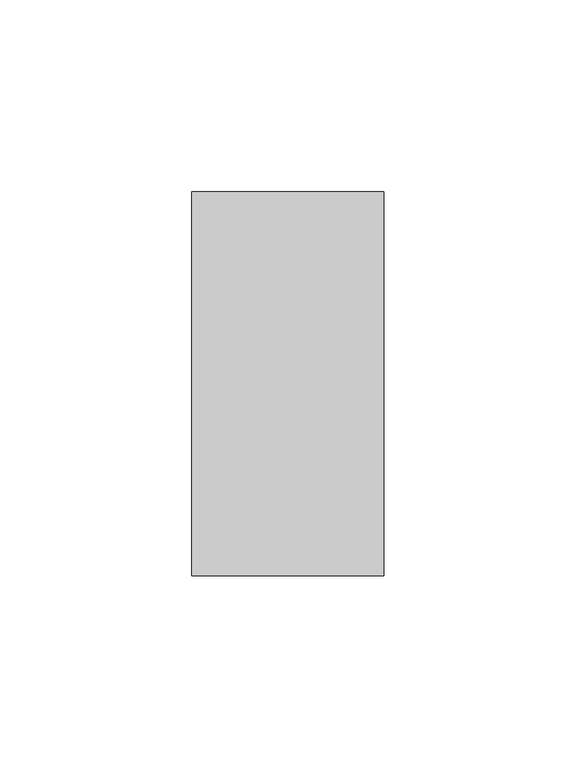
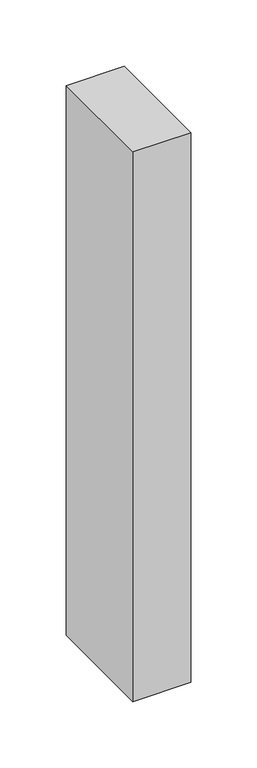
"""IFC4 building model written with IfcOpenShell, lengths in millimetres: member geometry."""

from ifc_helpers import new_model, si_unit, frame, origin, place, context, project, spatial, polyline, outline, extrude, source, transform, mapped, element, save


def member_827c50d0(model_context):
    return source(origin(), model_context, "Body", "SweptSolid", [
        extrude(outline(polyline([(0.0, 50.0), (0.0, -50.0), (-50.0, -50.0), (-50.0, 50.0), (0.0, 50.0)])), frame((0.0, 0.0, -505.0), z_axis=(0.0, 0.0, 1.0), x_axis=(1.0, 0.0, 0.0)), (0.0, 0.0, 1.0), 505.0),
    ])


if __name__ == "__main__":
    model = new_model("IFC4")
    model_context = context("Model", 3, world=origin())
    ifc_project = project(units=[si_unit("LENGTHUNIT", "METRE", prefix="MILLI")], contexts=[model_context])
    site = spatial("IfcSite", under=ifc_project)
    building = spatial("IfcBuilding", under=site)
    placement = place(None, origin())
    member_shape = member_827c50d0(model_context)
    element("IfcMember", 1, at=placement, inside=building, context=model_context, shape_type="MappedRepresentation", body=[
        mapped(member_shape, transform((0.0, 0.0, 0.0), x_axis=(1.0, 0.0, 0.0), y_axis=(0.0, 1.0, 0.0), z_axis=(0.0, 0.0, 1.0))),
    ])
    save(model, "model.ifc")
